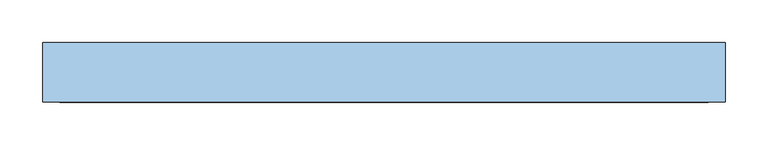
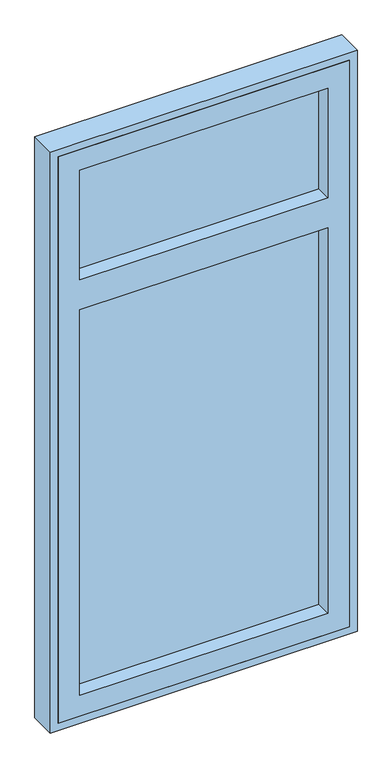
"""IFC4 building model written with IfcOpenShell, lengths in millimetres: window geometry."""

from ifc_helpers import new_model, si_unit, frame, origin, place, context, project, spatial, polyline, outline, extrude, source, transform, mapped, element, save


def window_9b7b31d7(model_context):
    return source(origin(), model_context, "Body", "SweptSolid", [
        extrude(outline(polyline([(323.0, 10.0), (-323.0, 10.0), (-323.0, 31.0), (323.0, 31.0), (323.0, 10.0)])), frame((0.0, 0.0, 977.0), z_axis=(0.0, 0.0, 1.0), x_axis=(1.0, 0.0, 0.0)), (0.0, 0.0, 1.0), 1062.0),
        extrude(outline(polyline([(323.0, 10.0), (-323.0, 10.0), (-323.0, 31.0), (323.0, 31.0), (323.0, 10.0)])), frame((0.0, 0.0, 2121.0), z_axis=(0.0, 0.0, 1.0), x_axis=(1.0, 0.0, 0.0)), (0.0, 0.0, 1.0), 302.0),
        extrude(outline(polyline([(2480.0, 380.0), (2480.0, -380.0), (920.0, -380.0), (920.0, 380.0), (2480.0, 380.0)]), holes=[polyline([(2423.0, -323.0), (2423.0, 323.0), (2121.0, 323.0), (2121.0, -323.0), (2423.0, -323.0)]), polyline([(977.0, -323.0), (2039.0, -323.0), (2039.0, 323.0), (977.0, 323.0), (977.0, -323.0)])]), frame((0.0, -30.0, 0.0), z_axis=(0.0, 1.0, 0.0), x_axis=(0.0, 0.0, 1.0)), (0.0, 0.0, 1.0), 70.0),
        extrude(outline(polyline([(2500.0, 400.0), (2500.0, -400.0), (900.0, -400.0), (900.0, 400.0), (2500.0, 400.0)]), holes=[polyline([(920.0, -380.0), (2480.0, -380.0), (2480.0, 380.0), (920.0, 380.0), (920.0, -380.0)])]), frame((0.0, -30.0, 0.0), z_axis=(0.0, 1.0, 0.0), x_axis=(0.0, 0.0, 1.0)), (0.0, 0.0, 1.0), 70.0),
    ])


if __name__ == "__main__":
    model = new_model("IFC4")
    model_context = context("Model", 3, world=origin())
    ifc_project = project(units=[si_unit("LENGTHUNIT", "METRE", prefix="MILLI")], contexts=[model_context])
    site = spatial("IfcSite", under=ifc_project)
    building = spatial("IfcBuilding", under=site)
    placement = place(None, origin())
    window_shape = window_9b7b31d7(model_context)
    element("IfcWindow", 1, at=placement, inside=building, context=model_context, shape_type="MappedRepresentation", body=[
        mapped(window_shape, transform((0.0, 0.0, 0.0), x_axis=(1.0, 0.0, 0.0), y_axis=(0.0, 1.0, 0.0), z_axis=(0.0, 0.0, 1.0))),
    ])
    save(model, "model.ifc")
